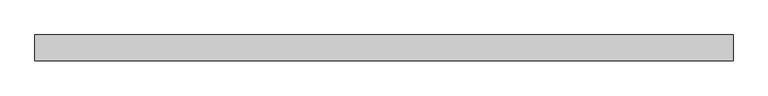
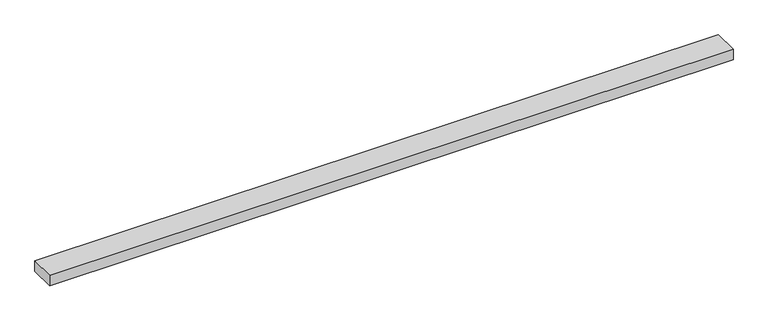
"""IFC4 building model written with IfcOpenShell, lengths in millimetres: beam geometry."""

from ifc_helpers import new_model, si_unit, frame, origin, place, context, project, spatial, polyline, outline, extrude, source, transform, mapped, element, save


def beam_85a7aaa2(model_context):
    return source(origin(), model_context, "Body", "SweptSolid", [
        extrude(outline(polyline([(702.650605, 25.0), (702.650605, -25.0), (-647.7931117, -25.0), (-647.7931117, 25.0), (702.650605, 25.0)])), frame((0.0, 0.0, -11.0), z_axis=(0.0, 0.0, 1.0), x_axis=(1.0, 0.0, 0.0)), (0.0, 0.0, 1.0), 22.0),
    ])


if __name__ == "__main__":
    model = new_model("IFC4")
    model_context = context("Model", 3, world=origin())
    ifc_project = project(units=[si_unit("LENGTHUNIT", "METRE", prefix="MILLI")], contexts=[model_context])
    site = spatial("IfcSite", under=ifc_project)
    building = spatial("IfcBuilding", under=site)
    placement = place(None, origin())
    beam_shape = beam_85a7aaa2(model_context)
    element("IfcBeam", 1, at=placement, inside=building, context=model_context, shape_type="MappedRepresentation", body=[
        mapped(beam_shape, transform((0.0, 0.0, 0.0), x_axis=(1.0, 0.0, 0.0), y_axis=(0.0, 1.0, 0.0), z_axis=(0.0, 0.0, 1.0))),
    ])
    save(model, "model.ifc")
